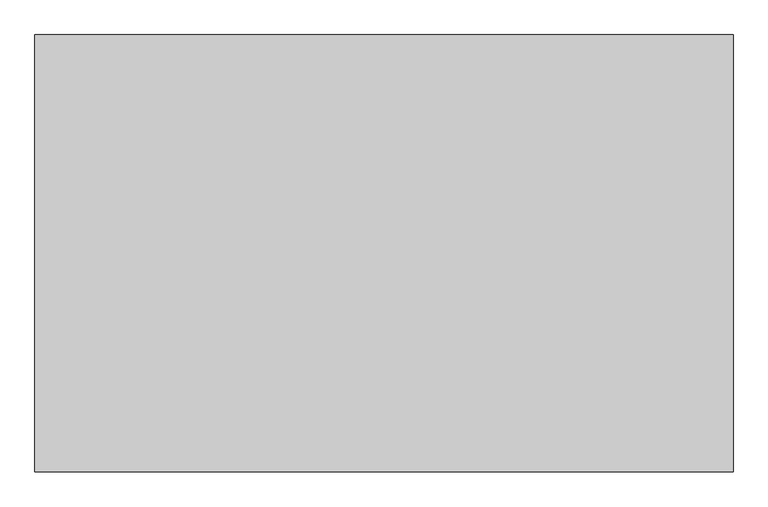
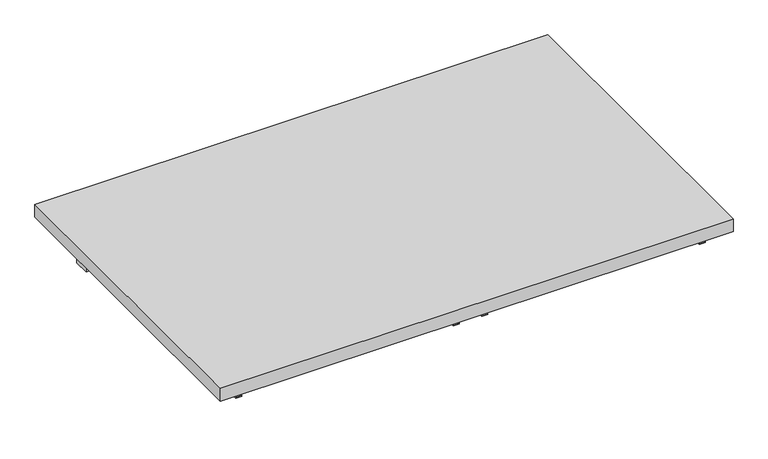
"""IFC4 building model written with IfcOpenShell, lengths in millimetres: furniture geometry."""

from ifc_helpers import new_model, si_unit, frame, origin, place, context, project, spatial, polyline, outline, extrude, source, transform, mapped, element, save


def furniture_dfe49b4e(model_context):
    return source(origin(), model_context, "Body", "SweptSolid", [
        extrude(outline(polyline([(912.8125, 254.0), (912.8125, -508.0), (-303.2125, -508.0), (-303.2125, 254.0), (912.8125, 254.0)])), frame((0.0, 0.0, 882.65), z_axis=(0.0, 0.0, 1.0), x_axis=(1.0, 0.0, 0.0)), (0.0, 0.0, 1.0), 31.75),
        extrude(outline(polyline([(879.475, 139.7), (879.475, 101.6), (-269.875, 101.6), (-269.875, 139.7), (879.475, 139.7)])), frame((0.0, 0.0, 825.5), z_axis=(0.0, 0.0, 1.0), x_axis=(1.0, 0.0, 0.0)), (0.0, 0.0, 1.0), 57.15),
        extrude(outline(polyline([(858.8375, 333.375), (882.65, 333.375), (882.65, 331.7875), (857.25, 331.7875), (857.25, 346.075), (858.8375, 346.075), (858.8375, 333.375)])), frame((0.0, -482.6, 0.0), z_axis=(0.0, 1.0, 0.0), x_axis=(0.0, 0.0, 1.0)), (0.0, 0.0, 1.0), 390.525),
        extrude(outline(polyline([(858.8375, 276.225), (858.8375, 263.525), (857.25, 263.525), (857.25, 277.8125), (882.65, 277.8125), (882.65, 276.225), (858.8375, 276.225)])), frame((0.0, -482.6, 0.0), z_axis=(0.0, 1.0, 0.0), x_axis=(0.0, 0.0, 1.0)), (0.0, 0.0, 1.0), 390.525),
        extrude(outline(polyline([(858.8375, -250.825), (882.65, -250.825), (882.65, -252.4125), (857.25, -252.4125), (857.25, -238.125), (858.8375, -238.125), (858.8375, -250.825)])), frame((0.0, -482.6, 0.0), z_axis=(0.0, 1.0, 0.0), x_axis=(0.0, 0.0, 1.0)), (0.0, 0.0, 1.0), 390.525),
        extrude(outline(polyline([(858.8375, 860.425), (858.8375, 847.725), (857.25, 847.725), (857.25, 862.0125), (882.65, 862.0125), (882.65, 860.425), (858.8375, 860.425)])), frame((0.0, -482.6, 0.0), z_axis=(0.0, 1.0, 0.0), x_axis=(0.0, 0.0, 1.0)), (0.0, 0.0, 1.0), 390.525),
    ])


if __name__ == "__main__":
    model = new_model("IFC4")
    model_context = context("Model", 3, world=origin())
    ifc_project = project(units=[si_unit("LENGTHUNIT", "METRE", prefix="MILLI")], contexts=[model_context])
    site = spatial("IfcSite", under=ifc_project)
    building = spatial("IfcBuilding", under=site)
    placement = place(None, origin())
    furniture_shape = furniture_dfe49b4e(model_context)
    element("IfcFurniture", 1, at=placement, inside=building, context=model_context, shape_type="MappedRepresentation", body=[
        mapped(furniture_shape, transform((0.0, 0.0, 0.0), x_axis=(1.0, 0.0, 0.0), y_axis=(0.0, 1.0, 0.0), z_axis=(0.0, 0.0, 1.0))),
    ])
    save(model, "model.ifc")
